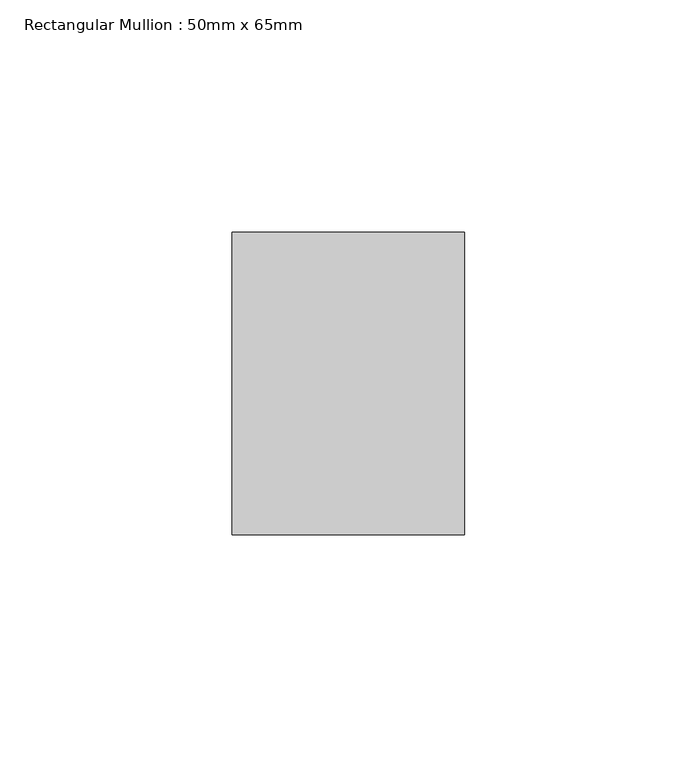
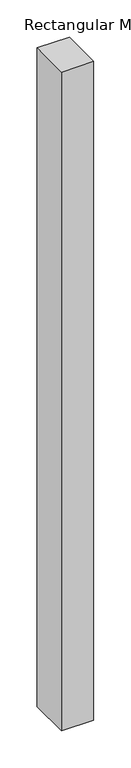
"""IFC4 building model written with IfcOpenShell, lengths in millimetres: member geometry, Rectangular Mullion : 50mm x 65mm."""

from ifc_helpers import new_model, si_unit, frame, origin, place, context, project, spatial, polyline, outline, extrude, source, transform, mapped, element, save


def rectangular_mullion_50mm_x_65mm_41ce15a9(model_context):
    return source(origin(), model_context, "Body", "SweptSolid", [
        extrude(outline(polyline([(25.0, 32.5), (25.0, -32.5), (-25.0, -32.5), (-25.0, 32.5), (25.0, 32.5)])), frame((0.0, 0.0, -1078.0450815), z_axis=(0.0, 0.0, 1.0), x_axis=(1.0, 0.0, 0.0)), (0.0, 0.0, 1.0), 1078.0450815),
    ])


if __name__ == "__main__":
    model = new_model("IFC4")
    model_context = context("Model", 3, world=origin())
    ifc_project = project(units=[si_unit("LENGTHUNIT", "METRE", prefix="MILLI")], contexts=[model_context])
    site = spatial("IfcSite", under=ifc_project)
    building = spatial("IfcBuilding", under=site)
    placement = place(None, origin())
    rectangular_mullion_50mm_x_65mm_shape = rectangular_mullion_50mm_x_65mm_41ce15a9(model_context)
    element("IfcMember", 1, ObjectType="Rectangular Mullion : 50mm x 65mm", at=placement, inside=building, context=model_context, shape_type="MappedRepresentation", body=[
        mapped(rectangular_mullion_50mm_x_65mm_shape, transform((0.0, 0.0, 0.0), x_axis=(1.0, 0.0, 0.0), y_axis=(0.0, 1.0, 0.0), z_axis=(0.0, 0.0, 1.0))),
    ])
    save(model, "model.ifc")
